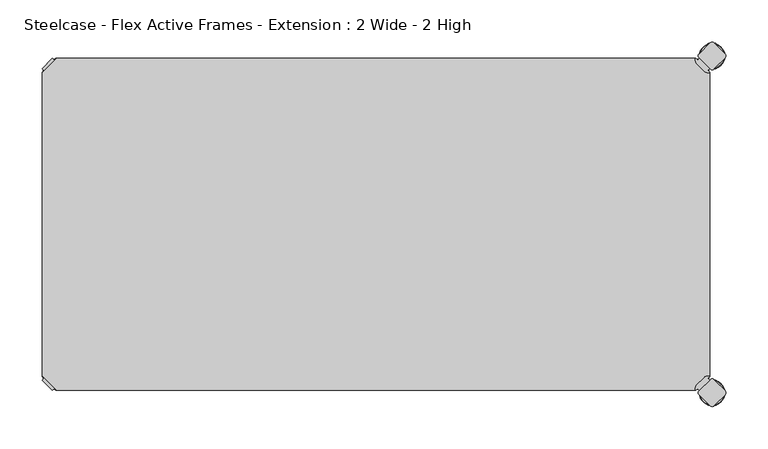
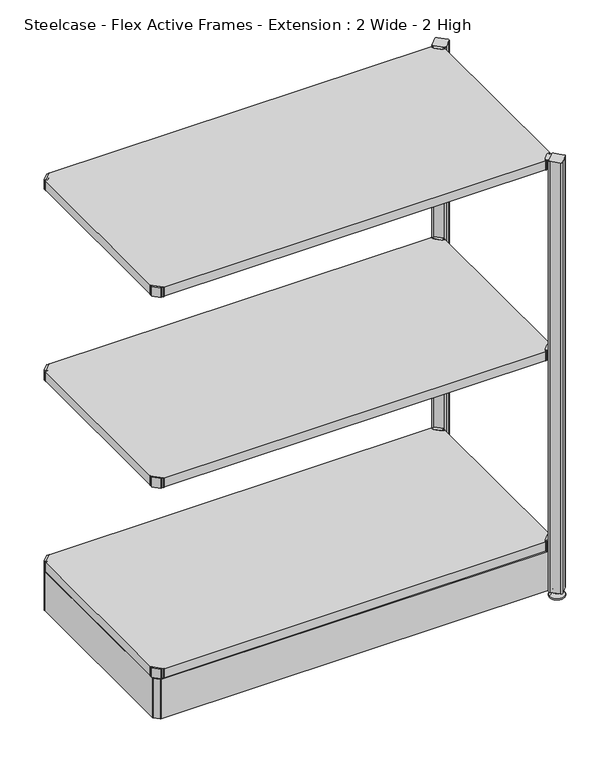
"""IFC4 building model written with IfcOpenShell, lengths in millimetres: furniture geometry, Steelcase - Flex Active Frames - Extension : 2 Wide - 2 High."""

from ifc_helpers import new_model, si_unit, point, frame, frame_2d, origin, place, context, project, spatial, polyline, circle_curve, ellipse_curve, trimmed, segment, composite_curve, outline, extrude, source, transform, mapped, element, save
from ifc_brep_helpers import plane_surface, cylinder_surface, revolved_surface, advanced_brep


def steelcase_flex_active_frames_extension_2_wide_2_high_423dbf8a(model_context):
    return source(origin(), model_context, "Body", "SolidModel", [
        advanced_brep(
        [(795.4995166, -396.9286835, 0.0), (809.4482375, -396.9286835, 0.0), (781.5507958, -396.9286835, 0.0), (810.3951451, -396.9286835, 2.116325), (780.6038882, -396.9286835, 2.116325), (804.2429012, -396.9286835, 8.9997406), (786.7561321, -396.9286835, 8.9997406), (802.9003852, -396.9286835, 8.9997406), (788.0986481, -396.9286835, 8.9997406), (802.9003852, -396.9286835, 12.0919909), (788.0986481, -396.9286835, 12.0919909), (802.3923852, -396.9286835, 12.5999909), (788.6066481, -396.9286835, 12.5999909), (799.518847, -396.9286835, 12.5999909), (791.4801863, -396.9286835, 12.5999909), (799.518847, -396.9286835, 22.7146261), (791.4801863, -396.9286835, 22.7146261), (795.4995166, -396.9286835, 22.7146261)],
        [
            (0, 1),
            (1, 2, circle_curve(frame((795.4995166, -396.9286835, 0.0), z_axis=(0.0, 0.0, -1.0), x_axis=(1.0, 0.0, 0.0)), 13.9487209)),
            (2, 0),
            (2, 1, circle_curve(frame((795.4995166, -396.9286835, 0.0), z_axis=(0.0, 0.0, -1.0), x_axis=(1.0, 0.0, 0.0)), 13.9487209)),
            (1, 3, circle_curve(frame((809.4482375, -396.9286835, 1.27), z_axis=(0.0, -1.0, 0.0), x_axis=(1.0, 0.0, 0.0)), 1.27)),
            (3, 4, circle_curve(frame((795.4995166, -396.9286835, 2.116325), z_axis=(0.0, 0.0, -1.0), x_axis=(1.0, 0.0, 0.0)), 14.8956285)),
            (4, 2, circle_curve(frame((781.5507958, -396.9286835, 1.27), z_axis=(0.0, -1.0, 0.0), x_axis=(-1.0, 0.0, 0.0)), 1.27)),
            (4, 3, circle_curve(frame((795.4995166, -396.9286835, 2.116325), z_axis=(0.0, 0.0, -1.0), x_axis=(1.0, 0.0, 0.0)), 14.8956285)),
            (3, 5),
            (5, 6, circle_curve(frame((795.4995166, -396.9286835, 8.9997406), z_axis=(0.0, 0.0, -1.0), x_axis=(1.0, 0.0, 0.0)), 8.7433846)),
            (6, 4),
            (6, 5, circle_curve(frame((795.4995166, -396.9286835, 8.9997406), z_axis=(0.0, 0.0, -1.0), x_axis=(1.0, 0.0, 0.0)), 8.7433846)),
            (5, 7),
            (7, 8, circle_curve(frame((795.4995166, -396.9286835, 8.9997406), z_axis=(0.0, 0.0, -1.0), x_axis=(1.0, 0.0, 0.0)), 7.4008685)),
            (8, 6),
            (8, 7, circle_curve(frame((795.4995166, -396.9286835, 8.9997406), z_axis=(0.0, 0.0, -1.0), x_axis=(1.0, 0.0, 0.0)), 7.4008685)),
            (7, 9),
            (9, 10, circle_curve(frame((795.4995166, -396.9286835, 12.0919909), z_axis=(0.0, 0.0, -1.0), x_axis=(1.0, 0.0, 0.0)), 7.4008685)),
            (10, 8),
            (10, 9, circle_curve(frame((795.4995166, -396.9286835, 12.0919909), z_axis=(0.0, 0.0, -1.0), x_axis=(1.0, 0.0, 0.0)), 7.4008685)),
            (9, 11, circle_curve(frame((802.3923852, -396.9286835, 12.0919909), z_axis=(0.0, -1.0, 0.0), x_axis=(1.0, 0.0, 0.0)), 0.508)),
            (11, 12, circle_curve(frame((795.4995166, -396.9286835, 12.5999909), z_axis=(0.0, 0.0, -1.0), x_axis=(1.0, 0.0, 0.0)), 6.8928685)),
            (12, 10, circle_curve(frame((788.6066481, -396.9286835, 12.0919909), z_axis=(0.0, -1.0, 0.0), x_axis=(-1.0, 0.0, 0.0)), 0.508)),
            (12, 11, circle_curve(frame((795.4995166, -396.9286835, 12.5999909), z_axis=(0.0, 0.0, -1.0), x_axis=(1.0, 0.0, 0.0)), 6.8928685)),
            (11, 13),
            (13, 14, circle_curve(frame((795.4995166, -396.9286835, 12.5999909), z_axis=(0.0, 0.0, -1.0), x_axis=(1.0, 0.0, 0.0)), 4.0193303)),
            (14, 12),
            (14, 13, circle_curve(frame((795.4995166, -396.9286835, 12.5999909), z_axis=(0.0, 0.0, -1.0), x_axis=(1.0, 0.0, 0.0)), 4.0193303)),
            (13, 15),
            (15, 16, circle_curve(frame((795.4995166, -396.9286835, 22.7146261), z_axis=(0.0, 0.0, -1.0), x_axis=(1.0, 0.0, 0.0)), 4.0193303)),
            (16, 14),
            (16, 15, circle_curve(frame((795.4995166, -396.9286835, 22.7146261), z_axis=(0.0, 0.0, -1.0), x_axis=(1.0, 0.0, 0.0)), 4.0193303)),
            (15, 17),
            (17, 16),
        ],
        [
            plane_surface(frame((795.4995166, -396.9286835, 0.0), z_axis=(0.0, 0.0, -1.0), x_axis=(1.0, 0.0, 0.0))),
            revolved_surface(trimmed(ellipse_curve(frame((809.4482375, -396.9286835, 1.27), z_axis=(0.0, 1.0, 0.0), x_axis=(1.0, 0.0, 0.0)), 1.27, 1.27), [point((810.3951451, -396.9286835, 2.116325))], [point((809.4482375, -396.9286835, 0.0))], True, "CARTESIAN"), (795.4995166, -396.9286835, 32.0514718), (0.0, 0.0, -1.0)),
            revolved_surface(polyline([(804.2429012, -396.9286835, 8.9997406), (810.3951451, -396.9286835, 2.116325)]), (795.4995166, -396.9286835, 32.0514718), (0.0, 0.0, -1.0)),
            plane_surface(frame((795.4995166, -396.9286835, 8.9997406), z_axis=(0.0, 0.0, 1.0), x_axis=(1.0, 0.0, 0.0))),
            cylinder_surface(frame((795.4995166, -396.9286835, 32.0514718), z_axis=(0.0, 0.0, -1.0), x_axis=(1.0, 0.0, 0.0)), 7.4008685),
            revolved_surface(trimmed(ellipse_curve(frame((802.3923852, -396.9286835, 12.0919909), z_axis=(0.0, 1.0, 0.0), x_axis=(1.0, 0.0, 0.0)), 0.508, 0.508), [point((802.3923852, -396.9286835, 12.5999909))], [point((802.9003852, -396.9286835, 12.0919909))], True, "CARTESIAN"), (795.4995166, -396.9286835, 32.0514718), (0.0, 0.0, -1.0)),
            plane_surface(frame((795.4995166, -396.9286835, 12.5999909), z_axis=(0.0, 0.0, 1.0), x_axis=(1.0, 0.0, 0.0))),
            cylinder_surface(frame((795.4995166, -396.9286835, 32.0514718), z_axis=(0.0, 0.0, -1.0), x_axis=(1.0, 0.0, 0.0)), 4.0193303),
            plane_surface(frame((795.4995166, -396.9286835, 22.7146261), z_axis=(0.0, 0.0, 1.0), x_axis=(1.0, 0.0, 0.0))),
        ],
        [
            (0, [[1, 2, 3]]),
            (0, [[-3, 4, -1]]),
            (1, [[-2, 5, 6, 7]]),
            (1, [[-4, -7, 8, -5]]),
            (2, [[-6, 9, 10, 11]]),
            (2, [[-8, -11, 12, -9]]),
            (3, [[-10, 13, 14, 15]]),
            (3, [[-12, -15, 16, -13]]),
            (4, [[-14, 17, 18, 19]]),
            (4, [[-16, -19, 20, -17]]),
            (5, [[-18, 21, 22, 23]]),
            (5, [[-20, -23, 24, -21]]),
            (6, [[-22, 25, 26, 27]]),
            (6, [[-24, -27, 28, -25]]),
            (7, [[-26, 29, 30, 31]]),
            (7, [[-28, -31, 32, -29]]),
            (8, [[-30, 33, 34]]),
            (8, [[-32, -34, -33]]),
        ],
    ),
        advanced_brep(
        [(795.4995166, 2.9246323, 0.0), (781.5507958, 2.9246323, 0.0), (809.4482375, 2.9246323, 0.0), (780.6038882, 2.9246323, 2.116325), (810.3951451, 2.9246323, 2.116325), (786.7561321, 2.9246323, 8.9997406), (804.2429012, 2.9246323, 8.9997406), (788.0986481, 2.9246323, 8.9997406), (802.9003852, 2.9246323, 8.9997406), (788.0986481, 2.9246323, 12.0919909), (802.9003852, 2.9246323, 12.0919909), (788.6066481, 2.9246323, 12.5999909), (802.3923852, 2.9246323, 12.5999909), (791.4801863, 2.9246323, 12.5999909), (799.518847, 2.9246323, 12.5999909), (791.4801863, 2.9246323, 22.7146261), (799.518847, 2.9246323, 22.7146261), (795.4995166, 2.9246323, 22.7146261)],
        [
            (0, 1),
            (1, 2, circle_curve(frame((795.4995166, 2.9246323, 0.0), z_axis=(0.0, 0.0, -1.0), x_axis=(1.0, 0.0, 0.0)), 13.9487209)),
            (2, 0),
            (2, 1, circle_curve(frame((795.4995166, 2.9246323, 0.0), z_axis=(0.0, 0.0, -1.0), x_axis=(1.0, 0.0, 0.0)), 13.9487209)),
            (1, 3, circle_curve(frame((781.5507958, 2.9246323, 1.27), z_axis=(0.0, 1.0, 0.0), x_axis=(-1.0, 0.0, 0.0)), 1.27)),
            (3, 4, circle_curve(frame((795.4995166, 2.9246323, 2.116325), z_axis=(0.0, 0.0, -1.0), x_axis=(1.0, 0.0, 0.0)), 14.8956285)),
            (4, 2, circle_curve(frame((809.4482375, 2.9246323, 1.27), z_axis=(0.0, 1.0, 0.0), x_axis=(1.0, 0.0, 0.0)), 1.27)),
            (4, 3, circle_curve(frame((795.4995166, 2.9246323, 2.116325), z_axis=(0.0, 0.0, -1.0), x_axis=(1.0, 0.0, 0.0)), 14.8956285)),
            (3, 5),
            (5, 6, circle_curve(frame((795.4995166, 2.9246323, 8.9997406), z_axis=(0.0, 0.0, -1.0), x_axis=(1.0, 0.0, 0.0)), 8.7433846)),
            (6, 4),
            (6, 5, circle_curve(frame((795.4995166, 2.9246323, 8.9997406), z_axis=(0.0, 0.0, -1.0), x_axis=(1.0, 0.0, 0.0)), 8.7433846)),
            (5, 7),
            (7, 8, circle_curve(frame((795.4995166, 2.9246323, 8.9997406), z_axis=(0.0, 0.0, -1.0), x_axis=(1.0, 0.0, 0.0)), 7.4008685)),
            (8, 6),
            (8, 7, circle_curve(frame((795.4995166, 2.9246323, 8.9997406), z_axis=(0.0, 0.0, -1.0), x_axis=(1.0, 0.0, 0.0)), 7.4008685)),
            (7, 9),
            (9, 10, circle_curve(frame((795.4995166, 2.9246323, 12.0919909), z_axis=(0.0, 0.0, -1.0), x_axis=(1.0, 0.0, 0.0)), 7.4008685)),
            (10, 8),
            (10, 9, circle_curve(frame((795.4995166, 2.9246323, 12.0919909), z_axis=(0.0, 0.0, -1.0), x_axis=(1.0, 0.0, 0.0)), 7.4008685)),
            (9, 11, circle_curve(frame((788.6066481, 2.9246323, 12.0919909), z_axis=(0.0, 1.0, 0.0), x_axis=(-1.0, 0.0, 0.0)), 0.508)),
            (11, 12, circle_curve(frame((795.4995166, 2.9246323, 12.5999909), z_axis=(0.0, 0.0, -1.0), x_axis=(1.0, 0.0, 0.0)), 6.8928685)),
            (12, 10, circle_curve(frame((802.3923852, 2.9246323, 12.0919909), z_axis=(0.0, 1.0, 0.0), x_axis=(1.0, 0.0, 0.0)), 0.508)),
            (12, 11, circle_curve(frame((795.4995166, 2.9246323, 12.5999909), z_axis=(0.0, 0.0, -1.0), x_axis=(1.0, 0.0, 0.0)), 6.8928685)),
            (11, 13),
            (13, 14, circle_curve(frame((795.4995166, 2.9246323, 12.5999909), z_axis=(0.0, 0.0, -1.0), x_axis=(1.0, 0.0, 0.0)), 4.0193303)),
            (14, 12),
            (14, 13, circle_curve(frame((795.4995166, 2.9246323, 12.5999909), z_axis=(0.0, 0.0, -1.0), x_axis=(1.0, 0.0, 0.0)), 4.0193303)),
            (13, 15),
            (15, 16, circle_curve(frame((795.4995166, 2.9246323, 22.7146261), z_axis=(0.0, 0.0, -1.0), x_axis=(1.0, 0.0, 0.0)), 4.0193303)),
            (16, 14),
            (16, 15, circle_curve(frame((795.4995166, 2.9246323, 22.7146261), z_axis=(0.0, 0.0, -1.0), x_axis=(1.0, 0.0, 0.0)), 4.0193303)),
            (15, 17),
            (17, 16),
        ],
        [
            plane_surface(frame((795.4995166, 2.9246323, 0.0), z_axis=(0.0, 0.0, -1.0), x_axis=(1.0, 0.0, 0.0))),
            revolved_surface(trimmed(ellipse_curve(frame((809.4482375, 2.9246323, 1.27), z_axis=(0.0, 1.0, 0.0), x_axis=(1.0, 0.0, 0.0)), 1.27, 1.27), [point((810.3951451, 2.9246323, 2.116325))], [point((809.4482375, 2.9246323, 0.0))], True, "CARTESIAN"), (795.4995166, 2.9246323, 32.0514718), (0.0, 0.0, -1.0)),
            revolved_surface(polyline([(804.2429012, 2.9246323, 8.9997406), (810.3951451, 2.9246323, 2.116325)]), (795.4995166, 2.9246323, 32.0514718), (0.0, 0.0, -1.0)),
            plane_surface(frame((795.4995166, 2.9246323, 8.9997406), z_axis=(0.0, 0.0, 1.0), x_axis=(1.0, 0.0, 0.0))),
            cylinder_surface(frame((795.4995166, 2.9246323, 32.0514718), z_axis=(0.0, 0.0, -1.0), x_axis=(1.0, 0.0, 0.0)), 7.4008685),
            revolved_surface(trimmed(ellipse_curve(frame((802.3923852, 2.9246323, 12.0919909), z_axis=(0.0, 1.0, 0.0), x_axis=(1.0, 0.0, 0.0)), 0.508, 0.508), [point((802.3923852, 2.9246323, 12.5999909))], [point((802.9003852, 2.9246323, 12.0919909))], True, "CARTESIAN"), (795.4995166, 2.9246323, 32.0514718), (0.0, 0.0, -1.0)),
            plane_surface(frame((795.4995166, 2.9246323, 12.5999909), z_axis=(0.0, 0.0, 1.0), x_axis=(1.0, 0.0, 0.0))),
            cylinder_surface(frame((795.4995166, 2.9246323, 32.0514718), z_axis=(0.0, 0.0, -1.0), x_axis=(1.0, 0.0, 0.0)), 4.0193303),
            plane_surface(frame((795.4995166, 2.9246323, 22.7146261), z_axis=(0.0, 0.0, 1.0), x_axis=(1.0, 0.0, 0.0))),
        ],
        [
            (0, [[1, 2, 3]]),
            (0, [[-3, 4, -1]]),
            (1, [[5, 6, 7, -2]]),
            (1, [[-7, 8, -5, -4]]),
            (2, [[9, 10, 11, -6]]),
            (2, [[-11, 12, -9, -8]]),
            (3, [[13, 14, 15, -10]]),
            (3, [[-15, 16, -13, -12]]),
            (4, [[17, 18, 19, -14]]),
            (4, [[-19, 20, -17, -16]]),
            (5, [[21, 22, 23, -18]]),
            (5, [[-23, 24, -21, -20]]),
            (6, [[25, 26, 27, -22]]),
            (6, [[-27, 28, -25, -24]]),
            (7, [[29, 30, 31, -26]]),
            (7, [[-31, 32, -29, -28]]),
            (8, [[33, 34, -30]]),
            (8, [[-34, -33, -32]]),
        ],
    ),
        extrude(outline(composite_curve([segment(polyline([(778.3364357, -1.93874), (780.4244011, 0.1493247), (792.6187028, -12.044977), (790.530772, -14.1329326), (792.5017057, -16.1038431), (792.4895198, -17.203916), (789.7543812, -16.8384277)]), True, "CONTINUOUS"), segment(trimmed(circle_curve(frame_2d((790.5954366, -10.5443729)), 6.35), [point((789.7543812, -16.8384277))], [point((786.1052784, -15.0344708))], False, "CARTESIAN"), True, "CONTINUOUS"), segment(polyline([(786.1052784, -15.0344708), (777.4359854, -6.3650612)]), True, "CONTINUOUS"), segment(trimmed(circle_curve(frame_2d((781.9261436, -1.8749633)), 6.35), [point((777.4359854, -6.3650612))], [point((775.6321123, -2.7161946))], False, "CARTESIAN"), True, "CONTINUOUS"), segment(polyline([(775.6321123, -2.7161946), (775.26654, 0.0189911), (776.3664729, 0.0311996), (778.3364357, -1.93874)]), True, "CONTINUOUS")], self_intersect=False)), frame((0.0, 0.0, 896.4822952), z_axis=(0.0, 0.0, 1.0), x_axis=(1.0, 0.0, 0.0)), (0.0, 0.0, 1.0), 20.2281258),
        extrude(outline(composite_curve([segment(polyline([(778.3364357, -392.01526), (776.3664729, -393.9851996), (775.26654, -393.9729911), (775.6321123, -391.2378054)]), True, "CONTINUOUS"), segment(trimmed(circle_curve(frame_2d((781.9261436, -392.0790367)), 6.35), [point((775.6321123, -391.2378054))], [point((777.4359854, -387.5889388))], False, "CARTESIAN"), True, "CONTINUOUS"), segment(polyline([(777.4359854, -387.5889388), (786.1052784, -378.9195292)]), True, "CONTINUOUS"), segment(trimmed(circle_curve(frame_2d((790.5954366, -383.4096271)), 6.35), [point((786.1052784, -378.9195292))], [point((789.7543812, -377.1155723))], False, "CARTESIAN"), True, "CONTINUOUS"), segment(polyline([(789.7543812, -377.1155723), (792.4895198, -376.750084), (792.5017057, -377.8501569), (790.530772, -379.8210674), (792.6187028, -381.909023), (780.4244011, -394.1033247), (778.3364357, -392.01526)]), True, "CONTINUOUS")], self_intersect=False)), frame((0.0, 0.0, 896.4822952), z_axis=(0.0, 0.0, 1.0), x_axis=(1.0, 0.0, 0.0)), (0.0, 0.0, 1.0), 20.2281258),
        extrude(outline(composite_curve([segment(polyline([(778.3364357, -1.93874), (780.4244011, 0.1493247), (792.6187028, -12.044977), (790.530772, -14.1329326), (792.5017057, -16.1038431), (792.4895198, -17.203916), (789.7543812, -16.8384277)]), True, "CONTINUOUS"), segment(trimmed(circle_curve(frame_2d((790.5954366, -10.5443729)), 6.35), [point((789.7543812, -16.8384277))], [point((786.1052784, -15.0344708))], False, "CARTESIAN"), True, "CONTINUOUS"), segment(polyline([(786.1052784, -15.0344708), (777.4359854, -6.3650612)]), True, "CONTINUOUS"), segment(trimmed(circle_curve(frame_2d((781.9261436, -1.8749633)), 6.35), [point((777.4359854, -6.3650612))], [point((775.6321123, -2.7161946))], False, "CARTESIAN"), True, "CONTINUOUS"), segment(polyline([(775.6321123, -2.7161946), (775.26654, 0.0189911), (776.3664729, 0.0311996), (778.3364357, -1.93874)]), True, "CONTINUOUS")], self_intersect=False)), frame((0.0, 0.0, 496.4821468), z_axis=(0.0, 0.0, 1.0), x_axis=(1.0, 0.0, 0.0)), (0.0, 0.0, 1.0), 20.2281258),
        extrude(outline(composite_curve([segment(polyline([(778.3364357, -392.01526), (776.3664729, -393.9851996), (775.26654, -393.9729911), (775.6321123, -391.2378054)]), True, "CONTINUOUS"), segment(trimmed(circle_curve(frame_2d((781.9261436, -392.0790367)), 6.35), [point((775.6321123, -391.2378054))], [point((777.4359854, -387.5889388))], False, "CARTESIAN"), True, "CONTINUOUS"), segment(polyline([(777.4359854, -387.5889388), (786.1052784, -378.9195292)]), True, "CONTINUOUS"), segment(trimmed(circle_curve(frame_2d((790.5954366, -383.4096271)), 6.35), [point((786.1052784, -378.9195292))], [point((789.7543812, -377.1155723))], False, "CARTESIAN"), True, "CONTINUOUS"), segment(polyline([(789.7543812, -377.1155723), (792.4895198, -376.750084), (792.5017057, -377.8501569), (790.530772, -379.8210674), (792.6187028, -381.909023), (780.4244011, -394.1033247), (778.3364357, -392.01526)]), True, "CONTINUOUS")], self_intersect=False)), frame((0.0, 0.0, 496.4821468), z_axis=(0.0, 0.0, 1.0), x_axis=(1.0, 0.0, 0.0)), (0.0, 0.0, 1.0), 20.2281258),
        extrude(outline(composite_curve([segment(polyline([(778.3364357, -1.93874), (780.4244011, 0.1493247), (792.6187028, -12.044977), (790.530772, -14.1329326), (792.5017057, -16.1038431), (792.4895198, -17.203916), (789.7543812, -16.8384277)]), True, "CONTINUOUS"), segment(trimmed(circle_curve(frame_2d((790.5954366, -10.5443729)), 6.35), [point((789.7543812, -16.8384277))], [point((786.1052784, -15.0344708))], False, "CARTESIAN"), True, "CONTINUOUS"), segment(polyline([(786.1052784, -15.0344708), (777.4359854, -6.3650612)]), True, "CONTINUOUS"), segment(trimmed(circle_curve(frame_2d((781.9261436, -1.8749633)), 6.35), [point((777.4359854, -6.3650612))], [point((775.6321123, -2.7161946))], False, "CARTESIAN"), True, "CONTINUOUS"), segment(polyline([(775.6321123, -2.7161946), (775.26654, 0.0189911), (776.3664729, 0.0311996), (778.3364357, -1.93874)]), True, "CONTINUOUS")], self_intersect=False)), frame((0.0, 0.0, 96.4824829), z_axis=(0.0, 0.0, 1.0), x_axis=(1.0, 0.0, 0.0)), (0.0, 0.0, 1.0), 20.2281258),
        extrude(outline(composite_curve([segment(polyline([(778.3364357, -392.01526), (776.3664729, -393.9851996), (775.26654, -393.9729911), (775.6321123, -391.2378054)]), True, "CONTINUOUS"), segment(trimmed(circle_curve(frame_2d((781.9261436, -392.0790367)), 6.35), [point((775.6321123, -391.2378054))], [point((777.4359854, -387.5889388))], False, "CARTESIAN"), True, "CONTINUOUS"), segment(polyline([(777.4359854, -387.5889388), (786.1052784, -378.9195292)]), True, "CONTINUOUS"), segment(trimmed(circle_curve(frame_2d((790.5954366, -383.4096271)), 6.35), [point((786.1052784, -378.9195292))], [point((789.7543812, -377.1155723))], False, "CARTESIAN"), True, "CONTINUOUS"), segment(polyline([(789.7543812, -377.1155723), (792.4895198, -376.750084), (792.5017057, -377.8501569), (790.530772, -379.8210674), (792.6187028, -381.909023), (780.4244011, -394.1033247), (778.3364357, -392.01526)]), True, "CONTINUOUS")], self_intersect=False)), frame((0.0, 0.0, 96.4824829), z_axis=(0.0, 0.0, 1.0), x_axis=(1.0, 0.0, 0.0)), (0.0, 0.0, 1.0), 20.2281258),
        extrude(outline(composite_curve([segment(trimmed(circle_curve(frame_2d((808.8538021, 2.9983545)), 3.048), [point((811.0090767, 5.1536029))], [point((811.0090505, 0.8430799))], False, "CARTESIAN"), True, "CONTINUOUS"), segment(polyline([(811.0090505, 0.8430799), (797.6462856, -12.5195224)]), True, "CONTINUOUS"), segment(trimmed(circle_curve(frame_2d((795.4910373, -10.3642478)), 3.048), [point((797.6462856, -12.5195224))], [point((793.3357649, -12.5194983))], False, "CARTESIAN"), True, "CONTINUOUS"), segment(polyline([(793.3357649, -12.5194983), (779.9732856, 0.8431164)]), True, "CONTINUOUS"), segment(trimmed(circle_curve(frame_2d((782.128558, 2.998367)), 3.048), [point((779.9732856, 0.8431164))], [point((779.9732965, 5.1536284))], False, "CARTESIAN"), True, "CONTINUOUS"), segment(polyline([(779.9732965, 5.1536284), (793.3359936, 18.5163256)]), True, "CONTINUOUS"), segment(trimmed(circle_curve(frame_2d((795.4912551, 16.3610641)), 3.048), [point((793.3359936, 18.5163256))], [point((797.6465297, 18.5163124))], False, "CARTESIAN"), True, "CONTINUOUS"), segment(polyline([(797.6465297, 18.5163124), (811.0090767, 5.1536029)]), True, "CONTINUOUS")], self_intersect=False)), frame((0.0, 0.0, 12.5999909), z_axis=(0.0, 0.0, 1.0), x_axis=(1.0, 0.0, 0.0)), (0.0, 0.0, 1.0), 903.8320091),
        extrude(outline(composite_curve([segment(polyline([(811.0090767, -399.1076029), (797.6465297, -412.4703124)]), True, "CONTINUOUS"), segment(trimmed(circle_curve(frame_2d((795.4912551, -410.3150641)), 3.048), [point((797.6465297, -412.4703124))], [point((793.3359936, -412.4703256))], False, "CARTESIAN"), True, "CONTINUOUS"), segment(polyline([(793.3359936, -412.4703256), (779.9732965, -399.1076284)]), True, "CONTINUOUS"), segment(trimmed(circle_curve(frame_2d((782.128558, -396.952367)), 3.048), [point((779.9732965, -399.1076284))], [point((779.9732856, -394.7971164))], False, "CARTESIAN"), True, "CONTINUOUS"), segment(polyline([(779.9732856, -394.7971164), (793.3357649, -381.4345017)]), True, "CONTINUOUS"), segment(trimmed(circle_curve(frame_2d((795.4910373, -383.5897522)), 3.048), [point((793.3357649, -381.4345017))], [point((797.6462856, -381.4344776))], False, "CARTESIAN"), True, "CONTINUOUS"), segment(polyline([(797.6462856, -381.4344776), (811.0090505, -394.7970799)]), True, "CONTINUOUS"), segment(trimmed(circle_curve(frame_2d((808.8538021, -396.9523545)), 3.048), [point((811.0090505, -394.7970799))], [point((811.0090767, -399.1076029))], False, "CARTESIAN"), True, "CONTINUOUS")], self_intersect=False)), frame((0.0, 0.0, 12.5999909), z_axis=(0.0, 0.0, 1.0), x_axis=(1.0, 0.0, 0.0)), (0.0, 0.0, 1.0), 903.8320091),
        extrude(outline(polyline([(0.0003876, -376.7599914), (0.0003876, -17.1940086), (17.1943962, 0.0), (775.2856038, 0.0), (792.4796124, -17.1940086), (792.4796124, -376.7599914), (775.2856038, -393.954), (17.1943962, -393.954), (0.0003876, -376.7599914)])), frame((0.0, 0.0, 97.4999596), z_axis=(0.0, 0.0, 1.0), x_axis=(1.0, 0.0, 0.0)), (0.0, 0.0, 1.0), 19.0000031),
        extrude(outline(composite_curve([segment(polyline([(14.1435643, -1.93874), (16.1135271, 0.0311996), (17.21346, 0.0189911), (16.8478877, -2.7161946)]), True, "CONTINUOUS"), segment(trimmed(circle_curve(frame_2d((10.5538564, -1.8749633)), 6.35), [point((16.8478877, -2.7161946))], [point((15.0440146, -6.3650612))], False, "CARTESIAN"), True, "CONTINUOUS"), segment(polyline([(15.0440146, -6.3650612), (6.3747216, -15.0344708)]), True, "CONTINUOUS"), segment(trimmed(circle_curve(frame_2d((1.8845634, -10.5443729)), 6.35), [point((6.3747216, -15.0344708))], [point((2.7256188, -16.8384277))], False, "CARTESIAN"), True, "CONTINUOUS"), segment(polyline([(2.7256188, -16.8384277), (-0.0095198, -17.203916), (-0.0217057, -16.1038431), (1.949228, -14.1329326), (-0.1387028, -12.044977), (12.0555989, 0.1493247), (14.1435643, -1.93874)]), True, "CONTINUOUS")], self_intersect=False)), frame((0.0, 0.0, 96.4824829), z_axis=(0.0, 0.0, 1.0), x_axis=(1.0, 0.0, 0.0)), (0.0, 0.0, 1.0), 20.2281258),
        extrude(outline(composite_curve([segment(polyline([(14.1435643, -392.01526), (12.0555989, -394.1033247), (-0.1387028, -381.909023), (1.949228, -379.8210674), (-0.0217057, -377.8501569), (-0.0095198, -376.750084), (2.7256188, -377.1155723)]), True, "CONTINUOUS"), segment(trimmed(circle_curve(frame_2d((1.8845634, -383.4096271)), 6.35), [point((2.7256188, -377.1155723))], [point((6.3747216, -378.9195292))], False, "CARTESIAN"), True, "CONTINUOUS"), segment(polyline([(6.3747216, -378.9195292), (15.0440146, -387.5889388)]), True, "CONTINUOUS"), segment(trimmed(circle_curve(frame_2d((10.5538564, -392.0790367)), 6.35), [point((15.0440146, -387.5889388))], [point((16.8478877, -391.2378054))], False, "CARTESIAN"), True, "CONTINUOUS"), segment(polyline([(16.8478877, -391.2378054), (17.21346, -393.9729911), (16.1135271, -393.9851996), (14.1435643, -392.01526)]), True, "CONTINUOUS")], self_intersect=False)), frame((0.0, 0.0, 96.4824829), z_axis=(0.0, 0.0, 1.0), x_axis=(1.0, 0.0, 0.0)), (0.0, 0.0, 1.0), 20.2281258),
        extrude(outline(polyline([(0.0003876, -376.7599914), (0.0003876, -17.1940086), (17.1943962, 0.0), (775.2856038, 0.0), (792.4796124, -17.1940086), (792.4796124, -376.7599914), (775.2856038, -393.954), (17.1943962, -393.954), (0.0003876, -376.7599914)])), frame((0.0, 0.0, 497.4996235), z_axis=(0.0, 0.0, 1.0), x_axis=(1.0, 0.0, 0.0)), (0.0, 0.0, 1.0), 19.0000031),
        extrude(outline(composite_curve([segment(polyline([(14.1435643, -1.93874), (16.1135271, 0.0311996), (17.21346, 0.0189911), (16.8478877, -2.7161946)]), True, "CONTINUOUS"), segment(trimmed(circle_curve(frame_2d((10.5538564, -1.8749633)), 6.35), [point((16.8478877, -2.7161946))], [point((15.0440146, -6.3650612))], False, "CARTESIAN"), True, "CONTINUOUS"), segment(polyline([(15.0440146, -6.3650612), (6.3747216, -15.0344708)]), True, "CONTINUOUS"), segment(trimmed(circle_curve(frame_2d((1.8845634, -10.5443729)), 6.35), [point((6.3747216, -15.0344708))], [point((2.7256188, -16.8384277))], False, "CARTESIAN"), True, "CONTINUOUS"), segment(polyline([(2.7256188, -16.8384277), (-0.0095198, -17.203916), (-0.0217057, -16.1038431), (1.949228, -14.1329326), (-0.1387028, -12.044977), (12.0555989, 0.1493247), (14.1435643, -1.93874)]), True, "CONTINUOUS")], self_intersect=False)), frame((0.0, 0.0, 496.4821468), z_axis=(0.0, 0.0, 1.0), x_axis=(1.0, 0.0, 0.0)), (0.0, 0.0, 1.0), 20.2281258),
        extrude(outline(composite_curve([segment(polyline([(14.1435643, -392.01526), (12.0555989, -394.1033247), (-0.1387028, -381.909023), (1.949228, -379.8210674), (-0.0217057, -377.8501569), (-0.0095198, -376.750084), (2.7256188, -377.1155723)]), True, "CONTINUOUS"), segment(trimmed(circle_curve(frame_2d((1.8845634, -383.4096271)), 6.35), [point((2.7256188, -377.1155723))], [point((6.3747216, -378.9195292))], False, "CARTESIAN"), True, "CONTINUOUS"), segment(polyline([(6.3747216, -378.9195292), (15.0440146, -387.5889388)]), True, "CONTINUOUS"), segment(trimmed(circle_curve(frame_2d((10.5538564, -392.0790367)), 6.35), [point((15.0440146, -387.5889388))], [point((16.8478877, -391.2378054))], False, "CARTESIAN"), True, "CONTINUOUS"), segment(polyline([(16.8478877, -391.2378054), (17.21346, -393.9729911), (16.1135271, -393.9851996), (14.1435643, -392.01526)]), True, "CONTINUOUS")], self_intersect=False)), frame((0.0, 0.0, 496.4821468), z_axis=(0.0, 0.0, 1.0), x_axis=(1.0, 0.0, 0.0)), (0.0, 0.0, 1.0), 20.2281258),
        extrude(outline(polyline([(0.0003876, -376.7599914), (0.0003876, -17.1940086), (17.1943962, 0.0), (775.2856038, 0.0), (792.4796124, -17.1940086), (792.4796124, -376.7599914), (775.2856038, -393.954), (17.1943962, -393.954), (0.0003876, -376.7599914)])), frame((0.0, 0.0, 897.4997719), z_axis=(0.0, 0.0, 1.0), x_axis=(1.0, 0.0, 0.0)), (0.0, 0.0, 1.0), 19.0000031),
        extrude(outline(composite_curve([segment(polyline([(14.1435643, -1.93874), (16.1135271, 0.0311996), (17.21346, 0.0189911), (16.8478877, -2.7161946)]), True, "CONTINUOUS"), segment(trimmed(circle_curve(frame_2d((10.5538564, -1.8749633)), 6.35), [point((16.8478877, -2.7161946))], [point((15.0440146, -6.3650612))], False, "CARTESIAN"), True, "CONTINUOUS"), segment(polyline([(15.0440146, -6.3650612), (6.3747216, -15.0344708)]), True, "CONTINUOUS"), segment(trimmed(circle_curve(frame_2d((1.8845634, -10.5443729)), 6.35), [point((6.3747216, -15.0344708))], [point((2.7256188, -16.8384277))], False, "CARTESIAN"), True, "CONTINUOUS"), segment(polyline([(2.7256188, -16.8384277), (-0.0095198, -17.203916), (-0.0217057, -16.1038431), (1.949228, -14.1329326), (-0.1387028, -12.044977), (12.0555989, 0.1493247), (14.1435643, -1.93874)]), True, "CONTINUOUS")], self_intersect=False)), frame((0.0, 0.0, 896.4822952), z_axis=(0.0, 0.0, 1.0), x_axis=(1.0, 0.0, 0.0)), (0.0, 0.0, 1.0), 20.2281258),
        extrude(outline(composite_curve([segment(polyline([(14.1435643, -392.01526), (12.0555989, -394.1033247), (-0.1387028, -381.909023), (1.949228, -379.8210674), (-0.0217057, -377.8501569), (-0.0095198, -376.750084), (2.7256188, -377.1155723)]), True, "CONTINUOUS"), segment(trimmed(circle_curve(frame_2d((1.8845634, -383.4096271)), 6.35), [point((2.7256188, -377.1155723))], [point((6.3747216, -378.9195292))], False, "CARTESIAN"), True, "CONTINUOUS"), segment(polyline([(6.3747216, -378.9195292), (15.0440146, -387.5889388)]), True, "CONTINUOUS"), segment(trimmed(circle_curve(frame_2d((10.5538564, -392.0790367)), 6.35), [point((15.0440146, -387.5889388))], [point((16.8478877, -391.2378054))], False, "CARTESIAN"), True, "CONTINUOUS"), segment(polyline([(16.8478877, -391.2378054), (17.21346, -393.9729911), (16.1135271, -393.9851996), (14.1435643, -392.01526)]), True, "CONTINUOUS")], self_intersect=False)), frame((0.0, 0.0, 896.4822952), z_axis=(0.0, 0.0, 1.0), x_axis=(1.0, 0.0, 0.0)), (0.0, 0.0, 1.0), 20.2281258),
        extrude(outline(composite_curve([segment(polyline([(12.155908, -1.0018273), (780.3465262, -1.0019264)]), True, "CONTINUOUS"), segment(trimmed(circle_curve(frame_2d((780.3240926, -3.5418273)), 2.54), [point((780.3465262, -1.0019264))], [point((782.1201439, -1.7457761))], False, "CARTESIAN"), True, "CONTINUOUS"), segment(polyline([(782.1201439, -1.7457761), (790.7284839, -10.3541161)]), True, "CONTINUOUS"), segment(trimmed(circle_curve(frame_2d((788.9324327, -12.1501673)), 2.54), [point((790.7284839, -10.3541161))], [point((791.4724327, -12.1501687))], False, "CARTESIAN"), True, "CONTINUOUS"), segment(polyline([(791.4724327, -12.1501687), (791.4722349, -381.8355295)]), True, "CONTINUOUS"), segment(trimmed(circle_curve(frame_2d((788.9324327, -381.8038327)), 2.54), [point((791.4722349, -381.8355295))], [point((790.7284839, -383.5998839))], False, "CARTESIAN"), True, "CONTINUOUS"), segment(polyline([(790.7284839, -383.5998839), (782.1201439, -392.2082239)]), True, "CONTINUOUS"), segment(trimmed(circle_curve(frame_2d((780.3240926, -390.4121727)), 2.54), [point((782.1201439, -392.2082239))], [point((780.3465262, -392.9520736))], False, "CARTESIAN"), True, "CONTINUOUS"), segment(polyline([(780.3465262, -392.9520736), (12.155908, -392.9521727)]), True, "CONTINUOUS"), segment(trimmed(circle_curve(frame_2d((12.1559074, -390.4121727)), 2.54), [point((12.155908, -392.9521727))], [point((10.3598561, -392.2082239))], False, "CARTESIAN"), True, "CONTINUOUS"), segment(polyline([(10.3598561, -392.2082239), (1.7515161, -383.5998839)]), True, "CONTINUOUS"), segment(trimmed(circle_curve(frame_2d((3.5475673, -381.8038327)), 2.54), [point((1.7515161, -383.5998839))], [point((1.0077651, -381.8355295))], False, "CARTESIAN"), True, "CONTINUOUS"), segment(polyline([(1.0077651, -381.8355295), (1.0075673, -12.1501687)]), True, "CONTINUOUS"), segment(trimmed(circle_curve(frame_2d((3.5475673, -12.1501673)), 2.54), [point((1.0075673, -12.1501687))], [point((1.7515161, -10.3541161))], False, "CARTESIAN"), True, "CONTINUOUS"), segment(polyline([(1.7515161, -10.3541161), (10.3598561, -1.7457761)]), True, "CONTINUOUS"), segment(trimmed(circle_curve(frame_2d((12.1559074, -3.5418273)), 2.54), [point((10.3598561, -1.7457761))], [point((12.155908, -1.0018273))], False, "CARTESIAN"), True, "CONTINUOUS")], self_intersect=False)), frame((0.0, 0.0, 12.5999909), z_axis=(0.0, 0.0, 1.0), x_axis=(1.0, 0.0, 0.0)), (0.0, 0.0, 1.0), 82.39977),
    ])


if __name__ == "__main__":
    model = new_model("IFC4")
    model_context = context("Model", 3, world=origin())
    ifc_project = project(units=[si_unit("LENGTHUNIT", "METRE", prefix="MILLI")], contexts=[model_context])
    site = spatial("IfcSite", under=ifc_project)
    building = spatial("IfcBuilding", under=site)
    placement = place(None, origin())
    steelcase_flex_active_frames_extension_2_wide_2_high_shape = steelcase_flex_active_frames_extension_2_wide_2_high_423dbf8a(model_context)
    element("IfcFurniture", 1, ObjectType="Steelcase - Flex Active Frames - Extension : 2 Wide - 2 High", at=placement, inside=building, context=model_context, shape_type="MappedRepresentation", body=[
        mapped(steelcase_flex_active_frames_extension_2_wide_2_high_shape, transform((0.0, 0.0, 0.0), x_axis=(1.0, 0.0, 0.0), y_axis=(0.0, 1.0, 0.0), z_axis=(0.0, 0.0, 1.0))),
    ])
    save(model, "model.ifc")
